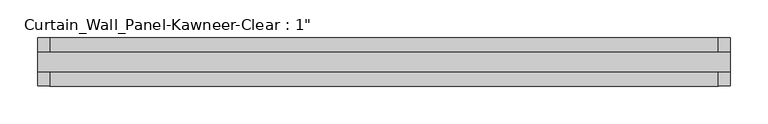
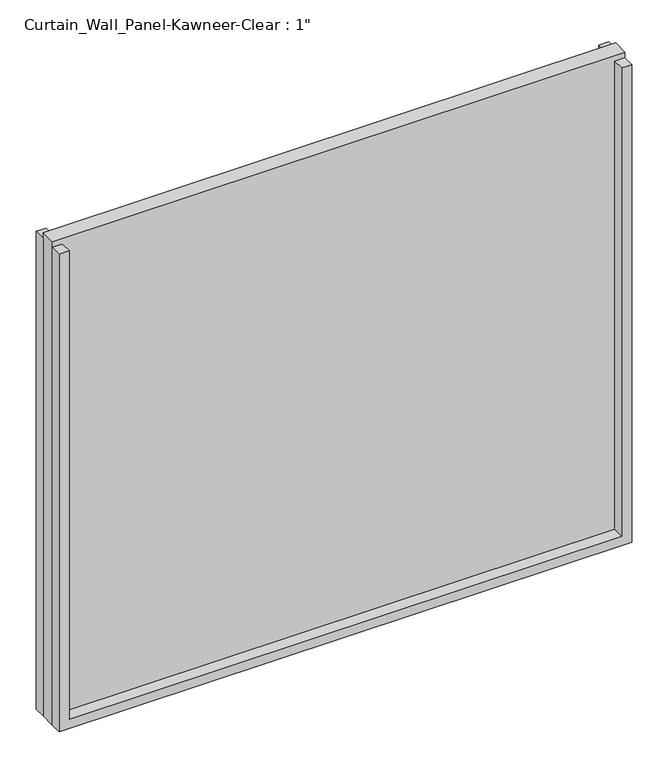
"""IFC4 building model written with IfcOpenShell, lengths in millimetres: plate geometry."""

from ifc_helpers import new_model, si_unit, frame, origin, origin_with_axes, place, context, project, spatial, polyline, outline, extrude, source, transform, mapped, element, save


def plate_79845801(model_context):
    return source(origin(), model_context, "Body", "SweptSolid", [
        extrude(outline(polyline([(806.45, 441.325), (15.875, 441.325), (15.875, -441.325), (806.45, -441.325), (806.45, -457.2), (0.0, -457.2), (0.0, 457.2), (806.45, 457.2), (806.45, 441.325)])), frame((0.0, -31.75, 0.0), z_axis=(0.0, 1.0, 0.0), x_axis=(0.0, 0.0, 1.0)), (0.0, 0.0, 1.0), 19.05),
        extrude(outline(polyline([(806.45, 441.325), (15.875, 441.325), (15.875, -441.325), (806.45, -441.325), (806.45, -457.2), (0.0, -457.2), (0.0, 457.2), (806.45, 457.2), (806.45, 441.325)])), frame((0.0, 12.7, 0.0), z_axis=(0.0, 1.0, 0.0), x_axis=(0.0, 0.0, 1.0)), (0.0, 0.0, 1.0), 19.05),
        extrude(outline(polyline([(457.2, -12.7), (-457.2, -12.7), (-457.2, 12.7), (457.2, 12.7), (457.2, -12.7)])), origin_with_axes(), (0.0, 0.0, 1.0), 815.975),
    ])


if __name__ == "__main__":
    model = new_model("IFC4")
    model_context = context("Model", 3, world=origin())
    ifc_project = project(units=[si_unit("LENGTHUNIT", "METRE", prefix="MILLI")], contexts=[model_context])
    site = spatial("IfcSite", under=ifc_project)
    building = spatial("IfcBuilding", under=site)
    placement = place(None, origin())
    plate_shape = plate_79845801(model_context)
    element("IfcPlate", 1, ObjectType="Curtain_Wall_Panel-Kawneer-Clear : 1\"", at=placement, inside=building, context=model_context, shape_type="MappedRepresentation", body=[
        mapped(plate_shape, transform((0.0, 0.0, 0.0), x_axis=(1.0, 0.0, 0.0), y_axis=(0.0, 1.0, 0.0), z_axis=(0.0, 0.0, 1.0))),
    ])
    save(model, "model.ifc")
